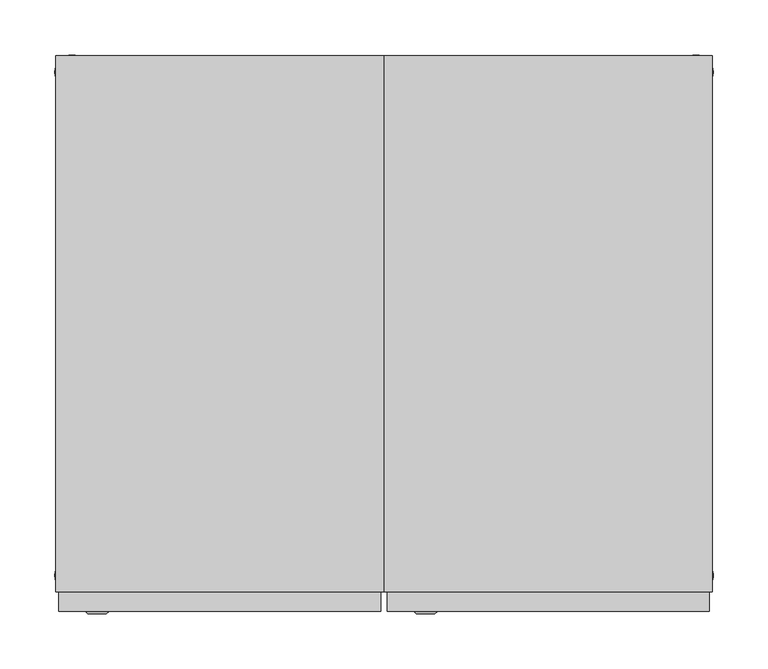
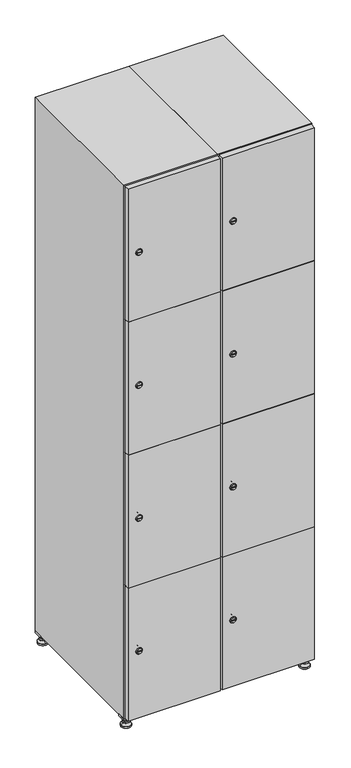
"""IFC4 building model written with IfcOpenShell, lengths in millimetres: furniture geometry."""

import ifcopenshell
import ifcopenshell.guid

model = None  # the IFC model being written
_history = None  # IfcOwnerHistory: only IFC2X3 demands one
_inside = {}  # id of a spatial element -> (the spatial element, [elements in it])
_under = {}  # id of a project, library or spatial element -> (it, [spatial elements below it])
_declared = {}  # id of a project -> (the project, [libraries it declares])
_typed = {}  # id of a type object -> (the type object, [elements of that type])
_made_of = {}  # id of a material, layer set ... -> (it, [elements and type objects made of it])


def new_model(schema):
    """Start an empty IFC model of exactly this schema.

    Asked for "IFC4X3", IfcOpenShell would pick the latest addendum, in which some entities
    have other attributes; the version numbers below select the first issue.
    IFC2X3 requires an IfcOwnerHistory on every rooted entity: one is made here for all.
    """
    global model, _history
    if schema == "IFC4X3":
        model = ifcopenshell.file(schema_version=(4, 3, 0, 0))
    else:
        model = ifcopenshell.file(schema=schema)
    _inside.clear()
    _under.clear()
    _declared.clear()
    _typed.clear()
    _made_of.clear()
    _history = None
    if model.schema == "IFC2X3":
        org = make("IfcOrganization", Name="unknown")
        user = make(
            "IfcPersonAndOrganization",
            ThePerson=make("IfcPerson", FamilyName="unknown"),
            TheOrganization=org,
        )
        app = make(
            "IfcApplication",
            ApplicationDeveloper=org,
            Version="unknown",
            ApplicationFullName="unknown",
            ApplicationIdentifier="unknown",
        )
        _history = make(
            "IfcOwnerHistory",
            OwningUser=user,
            OwningApplication=app,
            ChangeAction="ADDED",
            CreationDate=0,
        )
    return model


def make(cls, **values):
    """One entity of the class cls with the attributes given. An attribute that is None is left unset."""
    return model.create_entity(
        cls, **{name: value for name, value in values.items() if value is not None}
    )


def rooted(cls, **values):
    """An entity with a GlobalId (a new one), such as an element, a storey or a relation."""
    return make(cls, GlobalId=ifcopenshell.guid.new(), OwnerHistory=_history, **values)


def si_unit(unit_type, name, prefix=None):
    """IfcSIUnit, for example si_unit("LENGTHUNIT", "METRE", prefix="MILLI")."""
    return make("IfcSIUnit", UnitType=unit_type, Prefix=prefix, Name=name)


def assignment(units):
    """IfcUnitAssignment: the units of a project."""
    return None if units is None else make("IfcUnitAssignment", Units=units)


def point(xyz):
    """IfcCartesianPoint."""
    return None if xyz is None else make("IfcCartesianPoint", Coordinates=xyz)


def direction(xyz):
    """IfcDirection."""
    return None if xyz is None else make("IfcDirection", DirectionRatios=xyz)


def frame(location, z_axis=None, x_axis=None):
    """IfcAxis2Placement3D, a coordinate frame: its origin and axes. An axis left out is left unset."""
    return make(
        "IfcAxis2Placement3D",
        Location=point(location),
        Axis=direction(z_axis),
        RefDirection=direction(x_axis),
    )


def frame_2d(location, x_axis=None):
    """IfcAxis2Placement2D, a coordinate frame in the plane: its origin and x axis."""
    return make(
        "IfcAxis2Placement2D", Location=point(location), RefDirection=direction(x_axis)
    )


def origin():
    """The frame at (0, 0, 0) with its axes left unset."""
    return frame((0.0, 0.0, 0.0))


def origin_with_axes():
    """The frame at (0, 0, 0) with the z axis (0, 0, 1) and the x axis (1, 0, 0) written out."""
    return frame((0.0, 0.0, 0.0), z_axis=(0.0, 0.0, 1.0), x_axis=(1.0, 0.0, 0.0))


def place(relative_to, where):
    """IfcLocalPlacement: puts the frame where relative to a parent placement (None: the world)."""
    return make(
        "IfcLocalPlacement", PlacementRelTo=relative_to, RelativePlacement=where
    )


def context(
    kind, dimensions, precision=None, world=None, true_north=None, identifier=None
):
    """IfcGeometricRepresentationContext, for example the 3D "Model" context."""
    return make(
        "IfcGeometricRepresentationContext",
        ContextIdentifier=identifier,
        ContextType=kind,
        CoordinateSpaceDimension=dimensions,
        Precision=precision,
        WorldCoordinateSystem=world,
        TrueNorth=true_north,
    )


def project(units=None, contexts=None):
    """IfcProject with its units and contexts."""
    return rooted(
        "IfcProject",
        Name="project",
        RepresentationContexts=contexts,
        UnitsInContext=assignment(units),
    )


def spatial(cls, under=None, at=None, **own):
    """A site, building, storey or space (cls), placed at a placement, below another one or the project."""
    s = rooted(cls, ObjectPlacement=at, **own)
    if under is not None:
        _under.setdefault(under.id(), (under, []))[1].append(s)
    return s


def polyline(points):
    """IfcPolyline through the points."""
    return make("IfcPolyline", Points=[point(p) for p in points])


def circle_curve(where, radius):
    """IfcCircle in the frame where."""
    return make("IfcCircle", Position=where, Radius=radius)


def trimmed(basis, trim1, trim2, sense, master):
    """IfcTrimmedCurve: the piece of a basis curve between two trims."""
    return make(
        "IfcTrimmedCurve",
        BasisCurve=basis,
        Trim1=trim1,
        Trim2=trim2,
        SenseAgreement=sense,
        MasterRepresentation=master,
    )


def segment(curve, same_sense, transition):
    """IfcCompositeCurveSegment."""
    return make(
        "IfcCompositeCurveSegment",
        Transition=transition,
        SameSense=same_sense,
        ParentCurve=curve,
    )


def composite_curve(segments, self_intersect=None):
    """IfcCompositeCurve: segments joined end to end."""
    return make("IfcCompositeCurve", Segments=segments, SelfIntersect=self_intersect)


def outline(outer, holes=None, kind="AREA"):
    """IfcArbitraryClosedProfileDef: a profile drawn as a closed curve; with holes, ...WithVoids."""
    if holes is None:
        return make("IfcArbitraryClosedProfileDef", ProfileType=kind, OuterCurve=outer)
    return make(
        "IfcArbitraryProfileDefWithVoids",
        ProfileType=kind,
        OuterCurve=outer,
        InnerCurves=holes,
    )


def extrude(swept, where, along, depth):
    """IfcExtrudedAreaSolid: the profile swept, set in the frame where, extruded along a direction by depth."""
    return make(
        "IfcExtrudedAreaSolid",
        SweptArea=swept,
        Position=where,
        ExtrudedDirection=direction(along),
        Depth=depth,
    )


def faces_of(points, faces, orient=None, outer=None):
    """IfcFace entities. A face is a list of loops; a loop is a list of indices into points, from 0.

    orient and outer hold one flag for each loop. By default every Orientation is true, the
    first loop of a face is its IfcFaceOuterBound and the others are IfcFaceBound.
    """
    made = []
    for i, loops in enumerate(faces):
        bounds = []
        for j, loop in enumerate(loops):
            is_outer = j == 0 if outer is None else outer[i][j]
            bounds.append(
                make(
                    "IfcFaceOuterBound" if is_outer else "IfcFaceBound",
                    Bound=make("IfcPolyLoop", Polygon=[points[k] for k in loop]),
                    Orientation=True if orient is None else orient[i][j],
                )
            )
        made.append(make("IfcFace", Bounds=bounds))
    return made


def faceted_brep(points, faces, orient=None, outer=None, voids=None):
    """IfcFacetedBrep: a solid bounded by flat faces; with voids (closed shells), ...WithVoids."""
    shared = [point(p) for p in points]
    hull = make("IfcClosedShell", CfsFaces=faces_of(shared, faces, orient, outer))
    if voids is None:
        return make("IfcFacetedBrep", Outer=hull)
    return make(
        "IfcFacetedBrepWithVoids",
        Outer=hull,
        Voids=[
            make(cls, CfsFaces=faces_of(shared, fs, o, b)) for cls, fs, o, b in voids
        ],
    )


def shape(context_of_items, identifier, shape_type, items):
    """IfcShapeRepresentation: the items that make up one representation, for example the "Body"."""
    return make(
        "IfcShapeRepresentation",
        ContextOfItems=context_of_items,
        RepresentationIdentifier=identifier,
        RepresentationType=shape_type,
        Items=items,
    )


def source(mapping_origin, context_of_items, identifier, shape_type, items):
    """IfcRepresentationMap: a shape defined once, which mapped items show again and again."""
    return make(
        "IfcRepresentationMap",
        MappingOrigin=mapping_origin,
        MappedRepresentation=shape(context_of_items, identifier, shape_type, items),
    )


def transform(
    local_origin,
    x_axis=None,
    y_axis=None,
    z_axis=None,
    scale=None,
    scale2=None,
    scale3=None,
    uniform=True,
):
    """IfcCartesianTransformationOperator3D, or its non-uniform kind. x_axis, y_axis, z_axis: its Axis1, 2, 3."""
    if uniform:
        return make(
            "IfcCartesianTransformationOperator3D",
            Axis1=direction(x_axis),
            Axis2=direction(y_axis),
            LocalOrigin=point(local_origin),
            Scale=scale,
            Axis3=direction(z_axis),
        )
    return make(
        "IfcCartesianTransformationOperator3DnonUniform",
        Axis1=direction(x_axis),
        Axis2=direction(y_axis),
        LocalOrigin=point(local_origin),
        Scale=scale,
        Axis3=direction(z_axis),
        Scale2=scale2,
        Scale3=scale3,
    )


def mapped(mapping_source, mapping_target):
    """IfcMappedItem: shows the shape of a source again, moved by a transform."""
    return make(
        "IfcMappedItem", MappingSource=mapping_source, MappingTarget=mapping_target
    )


def made_of(thing, what):
    """Note that an element or type object is made of a material, layer set ...; save() writes the relation."""
    if what is not None:
        _made_of.setdefault(what.id(), (what, []))[1].append(thing)
    return thing


def element(
    cls,
    number,
    at=None,
    inside=None,
    cuts=None,
    type_object=None,
    material=None,
    context=None,
    identifier="Body",
    shape_type=None,
    held_by="IfcProductDefinitionShape",
    body=None,
    shapes=None,
    **own,
):
    """One element of the class cls, such as IfcWall. Its Tag is "e" and its number.

    at: its placement. inside: the storey or other place that contains it. cuts: it is an
    opening in that element (IfcRelVoidsElement). A single representation is given by context,
    identifier, shape_type and body (its items); several are given by shapes. held_by: the class
    of the entity that holds the representations. save() writes the other relations.
    """
    e = rooted(cls, Tag="e%d" % number, ObjectPlacement=at, **own)
    if body is not None:
        shapes = [shape(context, identifier, shape_type, body)]
    if shapes is not None:
        e.Representation = make(held_by, Representations=shapes)
    if inside is not None:
        _inside.setdefault(inside.id(), (inside, []))[1].append(e)
    if cuts is not None:
        rooted(
            "IfcRelVoidsElement", RelatingBuildingElement=cuts, RelatedOpeningElement=e
        )
    if type_object is not None:
        _typed.setdefault(type_object.id(), (type_object, []))[1].append(e)
    return made_of(e, material)


def aggregate(whole, parts):
    """IfcRelAggregates: a whole, such as a stair, and the parts it consists of."""
    return rooted("IfcRelAggregates", RelatingObject=whole, RelatedObjects=parts)


def save(model, path):
    """Write the relations noted so far, then the file.

    IfcRelAggregates (storeys below a building ...), IfcRelContainedInSpatialStructure (elements
    in a storey), IfcRelDefinesByType, IfcRelAssociatesMaterial and IfcRelDeclares: one each for
    every whole, place, type object, material and project.
    """
    for whole, parts in _under.values():
        aggregate(whole, parts)
    for where, things in _inside.values():
        rooted(
            "IfcRelContainedInSpatialStructure",
            RelatedElements=things,
            RelatingStructure=where,
        )
    for kind, things in _typed.values():
        rooted("IfcRelDefinesByType", RelatedObjects=things, RelatingType=kind)
    for what, things in _made_of.values():
        rooted("IfcRelAssociatesMaterial", RelatedObjects=things, RelatingMaterial=what)
    for by, libraries in _declared.values():
        rooted("IfcRelDeclares", RelatingContext=by, RelatedDefinitions=libraries)
    model.write(path)


def plane_surface(at):
    """IfcPlane: the flat surface through the origin of the frame at, square to its z axis."""
    return make("IfcPlane", Position=at)


def revolved_surface(curve, axis_point, axis_direction):
    """IfcSurfaceOfRevolution: the curve turned about the line through axis_point along axis_direction."""
    return make(
        "IfcSurfaceOfRevolution",
        SweptCurve=make("IfcArbitraryOpenProfileDef", ProfileType="CURVE", Curve=curve),
        AxisPosition=make("IfcAxis1Placement", Location=point(axis_point), Axis=direction(axis_direction)),
    )


def advanced_brep(points, edges, surfaces, faces):
    """IfcAdvancedBrep: a solid bounded by faces that lie on surfaces and meet in shared edges.

    An edge is (start, end): straight between two places in points (the first is 0);
    or (start, end, curve); or (start, end, curve, False) where it runs against its curve.
    A face is (place in surfaces, loops), or (place, loops, False) where it looks against
    its surface's normal. A loop lists edges by number (the first is 1), with a minus sign
    where the edge is run from its end to its start. The first loop is the outer one.
    """
    corners = [point(p) for p in points]
    vertices = [make("IfcVertexPoint", VertexGeometry=c) for c in corners]
    made = []
    for start, end, *more in edges:
        made.append(
            make(
                "IfcEdgeCurve",
                EdgeStart=vertices[start],
                EdgeEnd=vertices[end],
                EdgeGeometry=more[0] if more else make("IfcPolyline", Points=[corners[start], corners[end]]),
                SameSense=more[1] if len(more) > 1 else True,
            )
        )
    hull = []
    for where, loops, *sense in faces:
        bounds = []
        for j, loop in enumerate(loops):
            ring = [make("IfcOrientedEdge", EdgeElement=made[abs(k) - 1], Orientation=k > 0) for k in loop]
            bounds.append(
                make(
                    "IfcFaceOuterBound" if j == 0 else "IfcFaceBound",
                    Bound=make("IfcEdgeLoop", EdgeList=ring),
                    Orientation=True,
                )
            )
        hull.append(make("IfcAdvancedFace", Bounds=bounds, FaceSurface=surfaces[where], SameSense=sense[0] if sense else True))
    return make("IfcAdvancedBrep", Outer=make("IfcClosedShell", CfsFaces=hull))


def furniture_05b7265e(model_context):
    return source(origin(), model_context, "Body", "SolidModel", [
        extrude(outline(polyline([(400.0, 245.0), (400.0, 215.0), (370.0, 215.0), (370.0, 245.0), (400.0, 245.0)]), holes=[polyline([(398.0, 243.0), (372.0, 243.0), (372.0, 217.0), (398.0, 217.0), (398.0, 243.0)])]), frame((0.0, 0.0, 28.5), z_axis=(0.0, 0.0, 1.0), x_axis=(1.0, 0.0, 0.0)), (0.0, 0.0, 1.0), 6.5),
        extrude(outline(polyline([(370.0, -245.0), (370.0, -215.0), (400.0, -215.0), (400.0, -245.0), (370.0, -245.0)]), holes=[polyline([(372.0, -243.0), (398.0, -243.0), (398.0, -217.0), (372.0, -217.0), (372.0, -243.0)])]), frame((0.0, 0.0, 28.5), z_axis=(0.0, 0.0, 1.0), x_axis=(1.0, 0.0, 0.0)), (0.0, 0.0, 1.0), 6.5),
        extrude(outline(polyline([(-170.0, 245.0), (-170.0, 215.0), (-200.0, 215.0), (-200.0, 245.0), (-170.0, 245.0)]), holes=[polyline([(-172.0, 243.0), (-198.0, 243.0), (-198.0, 217.0), (-172.0, 217.0), (-172.0, 243.0)])]), frame((0.0, 0.0, 28.5), z_axis=(0.0, 0.0, 1.0), x_axis=(1.0, 0.0, 0.0)), (0.0, 0.0, 1.0), 6.5),
        extrude(outline(polyline([(-170.0, -215.0), (-170.0, -245.0), (-200.0, -245.0), (-200.0, -215.0), (-170.0, -215.0)]), holes=[polyline([(-198.0, -243.0), (-172.0, -243.0), (-172.0, -217.0), (-198.0, -217.0), (-198.0, -243.0)])]), frame((0.0, 0.0, 28.5), z_axis=(0.0, 0.0, 1.0), x_axis=(1.0, 0.0, 0.0)), (0.0, 0.0, 1.0), 6.5),
        extrude(outline(composite_curve([segment(trimmed(circle_curve(frame_2d((-185.0, 230.0)), 5.0), [point((-180.0, 230.0))], [point((-190.0, 230.0))], False, "CARTESIAN"), True, "CONTINUOUS"), segment(trimmed(circle_curve(frame_2d((-185.0, 230.0)), 5.0), [point((-190.0, 230.0))], [point((-180.0, 230.0))], False, "CARTESIAN"), True, "CONTINUOUS")], self_intersect=False)), frame((0.0, 0.0, 19.6), z_axis=(0.0, 0.0, 1.0), x_axis=(1.0, 0.0, 0.0)), (0.0, 0.0, 1.0), 15.4),
        extrude(outline(composite_curve([segment(trimmed(circle_curve(frame_2d((-185.0, -230.0)), 5.0), [point((-180.0, -230.0))], [point((-190.0, -230.0))], False, "CARTESIAN"), True, "CONTINUOUS"), segment(trimmed(circle_curve(frame_2d((-185.0, -230.0)), 5.0), [point((-190.0, -230.0))], [point((-180.0, -230.0))], False, "CARTESIAN"), True, "CONTINUOUS")], self_intersect=False)), frame((0.0, 0.0, 19.6), z_axis=(0.0, 0.0, 1.0), x_axis=(1.0, 0.0, 0.0)), (0.0, 0.0, 1.0), 15.4),
        extrude(outline(composite_curve([segment(trimmed(circle_curve(frame_2d((385.0, 230.0)), 5.0), [point((390.0, 230.0))], [point((380.0, 230.0))], False, "CARTESIAN"), True, "CONTINUOUS"), segment(trimmed(circle_curve(frame_2d((385.0, 230.0)), 5.0), [point((380.0, 230.0))], [point((390.0, 230.0))], False, "CARTESIAN"), True, "CONTINUOUS")], self_intersect=False)), frame((0.0, 0.0, 19.6), z_axis=(0.0, 0.0, 1.0), x_axis=(1.0, 0.0, 0.0)), (0.0, 0.0, 1.0), 15.4),
        extrude(outline(polyline([(373.4529946, 230.0), (379.2264973, 240.0), (390.7735027, 240.0), (396.5470054, 230.0), (390.7735027, 220.0), (379.2264973, 220.0), (373.4529946, 230.0)])), frame((0.0, 0.0, 13.6), z_axis=(0.0, 0.0, 1.0), x_axis=(1.0, 0.0, 0.0)), (0.0, 0.0, 1.0), 6.0),
        extrude(outline(composite_curve([segment(trimmed(circle_curve(frame_2d((385.0, -230.0)), 5.0), [point((390.0, -230.0))], [point((380.0, -230.0))], False, "CARTESIAN"), True, "CONTINUOUS"), segment(trimmed(circle_curve(frame_2d((385.0, -230.0)), 5.0), [point((380.0, -230.0))], [point((390.0, -230.0))], False, "CARTESIAN"), True, "CONTINUOUS")], self_intersect=False)), frame((0.0, 0.0, 19.6), z_axis=(0.0, 0.0, 1.0), x_axis=(1.0, 0.0, 0.0)), (0.0, 0.0, 1.0), 15.4),
        extrude(outline(polyline([(373.4529946, -230.0), (379.2264973, -220.0), (390.7735027, -220.0), (396.5470054, -230.0), (390.7735027, -240.0), (379.2264973, -240.0), (373.4529946, -230.0)])), frame((0.0, 0.0, 13.6), z_axis=(0.0, 0.0, 1.0), x_axis=(1.0, 0.0, 0.0)), (0.0, 0.0, 1.0), 6.0),
        extrude(outline(composite_curve([segment(trimmed(circle_curve(frame_2d((385.0, 230.0)), 5.0), [point((390.0, 230.0))], [point((380.0, 230.0))], False, "CARTESIAN"), True, "CONTINUOUS"), segment(trimmed(circle_curve(frame_2d((385.0, 230.0)), 5.0), [point((380.0, 230.0))], [point((390.0, 230.0))], False, "CARTESIAN"), True, "CONTINUOUS")], self_intersect=False)), frame((0.0, 0.0, 12.1), z_axis=(0.0, 0.0, 1.0), x_axis=(1.0, 0.0, 0.0)), (0.0, 0.0, 1.0), 1.5),
        extrude(outline(composite_curve([segment(trimmed(circle_curve(frame_2d((385.0, -230.0)), 5.0), [point((390.0, -230.0))], [point((380.0, -230.0))], False, "CARTESIAN"), True, "CONTINUOUS"), segment(trimmed(circle_curve(frame_2d((385.0, -230.0)), 5.0), [point((380.0, -230.0))], [point((390.0, -230.0))], False, "CARTESIAN"), True, "CONTINUOUS")], self_intersect=False)), frame((0.0, 0.0, 12.1), z_axis=(0.0, 0.0, 1.0), x_axis=(1.0, 0.0, 0.0)), (0.0, 0.0, 1.0), 1.5),
        extrude(outline(polyline([(-196.5470054, 230.0), (-190.7735027, 240.0), (-179.2264973, 240.0), (-173.4529946, 230.0), (-179.2264973, 220.0), (-190.7735027, 220.0), (-196.5470054, 230.0)])), frame((0.0, 0.0, 13.6), z_axis=(0.0, 0.0, 1.0), x_axis=(1.0, 0.0, 0.0)), (0.0, 0.0, 1.0), 6.0),
        extrude(outline(polyline([(-196.5470054, -230.0), (-190.7735027, -220.0), (-179.2264973, -220.0), (-173.4529946, -230.0), (-179.2264973, -240.0), (-190.7735027, -240.0), (-196.5470054, -230.0)])), frame((0.0, 0.0, 13.6), z_axis=(0.0, 0.0, 1.0), x_axis=(1.0, 0.0, 0.0)), (0.0, 0.0, 1.0), 6.0),
        extrude(outline(composite_curve([segment(trimmed(circle_curve(frame_2d((-185.0, 230.0)), 5.0), [point((-185.0, 235.0))], [point((-185.0, 225.0))], False, "CARTESIAN"), True, "CONTINUOUS"), segment(trimmed(circle_curve(frame_2d((-185.0, 230.0)), 5.0), [point((-185.0, 225.0))], [point((-185.0, 235.0))], False, "CARTESIAN"), True, "CONTINUOUS")], self_intersect=False)), frame((0.0, 0.0, 12.1), z_axis=(0.0, 0.0, 1.0), x_axis=(1.0, 0.0, 0.0)), (0.0, 0.0, 1.0), 1.5),
        extrude(outline(composite_curve([segment(trimmed(circle_curve(frame_2d((-185.0, -230.0)), 5.0), [point((-180.0, -230.0))], [point((-190.0, -230.0))], False, "CARTESIAN"), True, "CONTINUOUS"), segment(trimmed(circle_curve(frame_2d((-185.0, -230.0)), 5.0), [point((-190.0, -230.0))], [point((-180.0, -230.0))], False, "CARTESIAN"), True, "CONTINUOUS")], self_intersect=False)), frame((0.0, 0.0, 12.1), z_axis=(0.0, 0.0, 1.0), x_axis=(1.0, 0.0, 0.0)), (0.0, 0.0, 1.0), 1.5),
        extrude(outline(composite_curve([segment(trimmed(circle_curve(frame_2d((385.0, 230.0)), 15.75), [point((400.75, 230.0))], [point((369.25, 230.0))], False, "CARTESIAN"), True, "CONTINUOUS"), segment(trimmed(circle_curve(frame_2d((385.0, 230.0)), 15.75), [point((369.25, 230.0))], [point((400.75, 230.0))], False, "CARTESIAN"), True, "CONTINUOUS")], self_intersect=False)), origin_with_axes(), (0.0, 0.0, 1.0), 5.1),
        extrude(outline(composite_curve([segment(trimmed(circle_curve(frame_2d((385.0, -230.0)), 15.75), [point((385.0, -214.25))], [point((385.0, -245.75))], False, "CARTESIAN"), True, "CONTINUOUS"), segment(trimmed(circle_curve(frame_2d((385.0, -230.0)), 15.75), [point((385.0, -245.75))], [point((385.0, -214.25))], False, "CARTESIAN"), True, "CONTINUOUS")], self_intersect=False)), origin_with_axes(), (0.0, 0.0, 1.0), 5.1),
        extrude(outline(composite_curve([segment(trimmed(circle_curve(frame_2d((-185.0, -230.0)), 15.75), [point((-169.25, -230.0))], [point((-200.75, -230.0))], False, "CARTESIAN"), True, "CONTINUOUS"), segment(trimmed(circle_curve(frame_2d((-185.0, -230.0)), 15.75), [point((-200.75, -230.0))], [point((-169.25, -230.0))], False, "CARTESIAN"), True, "CONTINUOUS")], self_intersect=False)), origin_with_axes(), (0.0, 0.0, 1.0), 5.1),
        extrude(outline(composite_curve([segment(trimmed(circle_curve(frame_2d((-185.0, 230.0)), 15.75), [point((-169.25, 230.0))], [point((-200.75, 230.0))], False, "CARTESIAN"), True, "CONTINUOUS"), segment(trimmed(circle_curve(frame_2d((-185.0, 230.0)), 15.75), [point((-200.75, 230.0))], [point((-169.25, 230.0))], False, "CARTESIAN"), True, "CONTINUOUS")], self_intersect=False)), origin_with_axes(), (0.0, 0.0, 1.0), 5.1),
        advanced_brep(
        [(-185.0, 239.5, 12.1), (-185.0, 220.5, 12.1), (-185.0, 214.25, 5.1), (-185.0, 245.75, 5.1)],
        [
            (0, 1, circle_curve(frame((-185.0, 230.0, 12.1), z_axis=(0.0, 0.0, -1.0), x_axis=(0.0, 1.0, 0.0)), 9.5)),
            (1, 2),
            (2, 3, circle_curve(frame((-185.0, 230.0, 5.1), z_axis=(0.0, 0.0, 1.0), x_axis=(0.0, 1.0, 0.0)), 15.75)),
            (3, 0),
            (1, 0, circle_curve(frame((-185.0, 230.0, 12.1), z_axis=(0.0, 0.0, -1.0), x_axis=(0.0, -1.0, 0.0)), 9.5)),
            (3, 2, circle_curve(frame((-185.0, 230.0, 5.1), z_axis=(0.0, 0.0, 1.0), x_axis=(0.0, -1.0, 0.0)), 15.75)),
        ],
        [
            revolved_surface(polyline([(-185.0, 220.5, 12.099999999999998), (-185.0, 214.25, 5.099999999999998)]), (-185.0, 230.0, 22.74), (0.0, 0.0, -1.0)),
            revolved_surface(polyline([(-185.0, 239.5, 12.099999999999998), (-185.0, 245.75, 5.099999999999998)]), (-185.0, 230.0, 22.74), (0.0, 0.0, -1.0)),
            plane_surface(frame((-185.0, 230.0, 5.1), z_axis=(0.0, 0.0, -1.0), x_axis=(1.0, 0.0, 0.0))),
            plane_surface(frame((-185.0, 230.0, 12.1), z_axis=(0.0, 0.0, 1.0), x_axis=(1.0, 0.0, 0.0))),
        ],
        [
            (0, [[1, 2, 3, 4]]),
            (1, [[5, -4, 6, -2]]),
            (2, [[-3, -6]]),
            (3, [[-5, -1]]),
        ],
    ),
        advanced_brep(
        [(385.0, 239.5, 12.1), (385.0, 220.5, 12.1), (385.0, 214.25, 5.1), (385.0, 245.75, 5.1)],
        [
            (0, 1, circle_curve(frame((385.0, 230.0, 12.1), z_axis=(0.0, 0.0, -1.0), x_axis=(0.0, 1.0, 0.0)), 9.5)),
            (1, 2),
            (2, 3, circle_curve(frame((385.0, 230.0, 5.1), z_axis=(0.0, 0.0, 1.0), x_axis=(0.0, 1.0, 0.0)), 15.75)),
            (3, 0),
            (1, 0, circle_curve(frame((385.0, 230.0, 12.1), z_axis=(0.0, 0.0, -1.0), x_axis=(0.0, -1.0, 0.0)), 9.5)),
            (3, 2, circle_curve(frame((385.0, 230.0, 5.1), z_axis=(0.0, 0.0, 1.0), x_axis=(0.0, -1.0, 0.0)), 15.75)),
        ],
        [
            revolved_surface(polyline([(385.0, 220.5, 12.099999999999998), (385.0, 214.25, 5.099999999999998)]), (385.0, 230.0, 22.74), (0.0, 0.0, -1.0)),
            revolved_surface(polyline([(385.0, 239.5, 12.099999999999998), (385.0, 245.75, 5.099999999999998)]), (385.0, 230.0, 22.74), (0.0, 0.0, -1.0)),
            plane_surface(frame((385.0, 230.0, 5.1), z_axis=(0.0, 0.0, -1.0), x_axis=(1.0, 0.0, 0.0))),
            plane_surface(frame((385.0, 230.0, 12.1), z_axis=(0.0, 0.0, 1.0), x_axis=(1.0, 0.0, 0.0))),
        ],
        [
            (0, [[1, 2, 3, 4]]),
            (1, [[5, -4, 6, -2]]),
            (2, [[-3, -6]]),
            (3, [[-5, -1]]),
        ],
    ),
        advanced_brep(
        [(400.75, -230.0, 5.1), (369.25, -230.0, 5.1), (375.5, -230.0, 12.1), (394.5, -230.0, 12.1)],
        [
            (0, 1, circle_curve(frame((385.0, -230.0, 5.1), z_axis=(0.0, 0.0, 1.0), x_axis=(1.0, 0.0, 0.0)), 15.75)),
            (1, 2),
            (2, 3, circle_curve(frame((385.0, -230.0, 12.1), z_axis=(0.0, 0.0, -1.0), x_axis=(1.0, 0.0, 0.0)), 9.5)),
            (3, 0),
            (1, 0, circle_curve(frame((385.0, -230.0, 5.1), z_axis=(0.0, 0.0, 1.0), x_axis=(-1.0, 0.0, 0.0)), 15.75)),
            (3, 2, circle_curve(frame((385.0, -230.0, 12.1), z_axis=(0.0, 0.0, -1.0), x_axis=(-1.0, 0.0, 0.0)), 9.5)),
        ],
        [
            revolved_surface(polyline([(394.5, -230.0, 12.099999999999998), (400.75, -230.0, 5.099999999999998)]), (385.0, -230.0, 22.74), (0.0, 0.0, -1.0)),
            revolved_surface(polyline([(375.5, -230.0, 12.099999999999998), (369.25, -230.0, 5.099999999999998)]), (385.0, -230.0, 22.74), (0.0, 0.0, -1.0)),
            plane_surface(frame((385.0, -230.0, 12.1), z_axis=(0.0, 0.0, 1.0), x_axis=(0.0, 1.0, 0.0))),
            plane_surface(frame((385.0, -230.0, 5.1), z_axis=(0.0, 0.0, -1.0), x_axis=(0.0, 1.0, 0.0))),
        ],
        [
            (0, [[1, 2, 3, 4]]),
            (1, [[5, -4, 6, -2]]),
            (2, [[-3, -6]]),
            (3, [[-5, -1]]),
        ],
    ),
        advanced_brep(
        [(-169.25, -230.0, 5.1), (-200.75, -230.0, 5.1), (-194.5, -230.0, 12.1), (-175.5, -230.0, 12.1)],
        [
            (0, 1, circle_curve(frame((-185.0, -230.0, 5.1), z_axis=(0.0, 0.0, 1.0), x_axis=(1.0, 0.0, 0.0)), 15.75)),
            (1, 2),
            (2, 3, circle_curve(frame((-185.0, -230.0, 12.1), z_axis=(0.0, 0.0, -1.0), x_axis=(1.0, 0.0, 0.0)), 9.5)),
            (3, 0),
            (1, 0, circle_curve(frame((-185.0, -230.0, 5.1), z_axis=(0.0, 0.0, 1.0), x_axis=(-1.0, 0.0, 0.0)), 15.75)),
            (3, 2, circle_curve(frame((-185.0, -230.0, 12.1), z_axis=(0.0, 0.0, -1.0), x_axis=(-1.0, 0.0, 0.0)), 9.5)),
        ],
        [
            revolved_surface(polyline([(-175.5, -230.0, 12.099999999999998), (-169.25, -230.0, 5.099999999999998)]), (-185.0, -230.0, 22.74), (0.0, 0.0, -1.0)),
            revolved_surface(polyline([(-194.5, -230.0, 12.099999999999998), (-200.75, -230.0, 5.099999999999998)]), (-185.0, -230.0, 22.74), (0.0, 0.0, -1.0)),
            plane_surface(frame((-185.0, -230.0, 12.1), z_axis=(0.0, 0.0, 1.0), x_axis=(0.0, 1.0, 0.0))),
            plane_surface(frame((-185.0, -230.0, 5.1), z_axis=(0.0, 0.0, -1.0), x_axis=(0.0, 1.0, 0.0))),
        ],
        [
            (0, [[1, 2, 3, 4]]),
            (1, [[5, -4, 6, -2]]),
            (2, [[-3, -6]]),
            (3, [[-5, -1]]),
        ],
    ),
        extrude(outline(composite_curve([segment(trimmed(circle_curve(frame_2d((262.25, 111.2010534)), 7.0), [point((269.25, 111.2010534))], [point((255.25, 111.2010534))], False, "CARTESIAN"), True, "CONTINUOUS"), segment(polyline([(255.25, 111.2010534), (255.25, 139.2010534)]), True, "CONTINUOUS"), segment(trimmed(circle_curve(frame_2d((262.25, 139.2010534)), 7.0), [point((255.25, 139.2010534))], [point((269.25, 139.2010534))], False, "CARTESIAN"), True, "CONTINUOUS"), segment(polyline([(269.25, 139.2010534), (269.25, 111.2010534)]), True, "CONTINUOUS")], self_intersect=False)), frame((0.0, -245.0, 0.0), z_axis=(0.0, 1.0, 0.0), x_axis=(0.0, 0.0, 1.0)), (0.0, 0.0, 1.0), 2.0),
        advanced_brep(
        [(146.5, -265.2, 262.25), (129.5, -265.2, 262.25), (133.0, -265.2, 261.0), (133.0, -265.2, 263.5), (143.0, -265.2, 263.5), (143.0, -265.2, 261.0), (148.5, -263.0, 262.25), (127.5, -263.0, 262.25), (133.0, -263.0, 263.5), (133.0, -263.0, 261.0), (143.0, -263.0, 261.0), (143.0, -263.0, 263.5)],
        [
            (0, 1, circle_curve(frame((138.0, -265.2, 262.25), z_axis=(0.0, -1.0, 0.0), x_axis=(1.0, 0.0, 0.0)), 8.5)),
            (1, 0, circle_curve(frame((138.0, -265.2, 262.25), z_axis=(0.0, -1.0, 0.0), x_axis=(-1.0, 0.0, 0.0)), 8.5)),
            (2, 3),
            (3, 4),
            (4, 5),
            (5, 2),
            (6, 7, circle_curve(frame((138.0, -263.0, 262.25), z_axis=(0.0, 1.0, 0.0), x_axis=(-1.0, 0.0, 0.0)), 10.5)),
            (7, 6, circle_curve(frame((138.0, -263.0, 262.25), z_axis=(0.0, 1.0, 0.0), x_axis=(1.0, 0.0, 0.0)), 10.5)),
            (8, 9),
            (9, 10),
            (10, 11),
            (11, 8),
            (0, 6),
            (7, 1),
            (8, 3),
            (2, 9),
            (11, 4),
            (10, 5),
        ],
        [
            plane_surface(frame((138.0, -265.2, 262.25), z_axis=(0.0, -1.0, 0.0), x_axis=(0.0, 0.0, 1.0))),
            plane_surface(frame((138.0, -263.0, 262.25), z_axis=(0.0, 1.0, 0.0), x_axis=(0.0, 0.0, 1.0))),
            revolved_surface(polyline([(146.5, -265.2, 262.25), (148.5, -263.0, 262.25)]), (138.0, -274.55, 262.25), (0.0, 1.0, 0.0)),
            revolved_surface(polyline([(129.5, -265.2, 262.25), (127.5, -263.0, 262.25)]), (138.0, -274.55, 262.25), (0.0, 1.0, 0.0)),
            plane_surface(frame((133.0, -263.0, 261.0), z_axis=(1.0, 0.0, 0.0), x_axis=(0.0, -1.0, 0.0))),
            plane_surface(frame((133.0, -263.0, 263.5), z_axis=(0.0, 0.0, -1.0), x_axis=(0.0, -1.0, 0.0))),
            plane_surface(frame((143.0, -263.0, 263.5), z_axis=(-1.0, 0.0, 0.0), x_axis=(0.0, -1.0, 0.0))),
            plane_surface(frame((143.0, -263.0, 261.0), z_axis=(0.0, 0.0, 1.0), x_axis=(0.0, -1.0, 0.0))),
        ],
        [
            (0, [[1, 2], [3, 4, 5, 6]]),
            (1, [[7, 8], [9, 10, 11, 12]]),
            (2, [[-1, 13, -8, 14]]),
            (3, [[-2, -14, -7, -13]]),
            (4, [[15, -3, 16, -9]]),
            (5, [[-15, -12, 17, -4]]),
            (6, [[-17, -11, 18, -5]]),
            (7, [[-16, -6, -18, -10]]),
        ],
    ),
        extrude(outline(composite_curve([segment(trimmed(circle_curve(frame_2d((710.75, 111.2010534)), 7.0), [point((717.75, 111.2010534))], [point((703.75, 111.2010534))], False, "CARTESIAN"), True, "CONTINUOUS"), segment(polyline([(703.75, 111.2010534), (703.75, 139.2010534)]), True, "CONTINUOUS"), segment(trimmed(circle_curve(frame_2d((710.75, 139.2010534)), 7.0), [point((703.75, 139.2010534))], [point((717.75, 139.2010534))], False, "CARTESIAN"), True, "CONTINUOUS"), segment(polyline([(717.75, 139.2010534), (717.75, 111.2010534)]), True, "CONTINUOUS")], self_intersect=False)), frame((0.0, -245.0, 0.0), z_axis=(0.0, 1.0, 0.0), x_axis=(0.0, 0.0, 1.0)), (0.0, 0.0, 1.0), 2.0),
        advanced_brep(
        [(146.5, -265.2, 710.75), (129.5, -265.2, 710.75), (133.0, -265.2, 709.5), (133.0, -265.2, 712.0), (143.0, -265.2, 712.0), (143.0, -265.2, 709.5), (148.5, -263.0, 710.75), (127.5, -263.0, 710.75), (133.0, -263.0, 712.0), (133.0, -263.0, 709.5), (143.0, -263.0, 709.5), (143.0, -263.0, 712.0)],
        [
            (0, 1, circle_curve(frame((138.0, -265.2, 710.75), z_axis=(0.0, -1.0, 0.0), x_axis=(1.0, 0.0, 0.0)), 8.5)),
            (1, 0, circle_curve(frame((138.0, -265.2, 710.75), z_axis=(0.0, -1.0, 0.0), x_axis=(-1.0, 0.0, 0.0)), 8.5)),
            (2, 3),
            (3, 4),
            (4, 5),
            (5, 2),
            (6, 7, circle_curve(frame((138.0, -263.0, 710.75), z_axis=(0.0, 1.0, 0.0), x_axis=(-1.0, 0.0, 0.0)), 10.5)),
            (7, 6, circle_curve(frame((138.0, -263.0, 710.75), z_axis=(0.0, 1.0, 0.0), x_axis=(1.0, 0.0, 0.0)), 10.5)),
            (8, 9),
            (9, 10),
            (10, 11),
            (11, 8),
            (0, 6),
            (7, 1),
            (8, 3),
            (2, 9),
            (11, 4),
            (10, 5),
        ],
        [
            plane_surface(frame((138.0, -265.2, 710.75), z_axis=(0.0, -1.0, 0.0), x_axis=(0.0, 0.0, 1.0))),
            plane_surface(frame((138.0, -263.0, 710.75), z_axis=(0.0, 1.0, 0.0), x_axis=(0.0, 0.0, 1.0))),
            revolved_surface(polyline([(146.5, -265.2, 710.75), (148.5, -263.0, 710.75)]), (138.0, -274.55, 710.75), (0.0, 1.0, 0.0)),
            revolved_surface(polyline([(129.5, -265.2, 710.75), (127.5, -263.0, 710.75)]), (138.0, -274.55, 710.75), (0.0, 1.0, 0.0)),
            plane_surface(frame((133.0, -263.0, 709.5), z_axis=(1.0, 0.0, 0.0), x_axis=(0.0, -1.0, 0.0))),
            plane_surface(frame((133.0, -263.0, 712.0), z_axis=(0.0, 0.0, -1.0), x_axis=(0.0, -1.0, 0.0))),
            plane_surface(frame((143.0, -263.0, 712.0), z_axis=(-1.0, 0.0, 0.0), x_axis=(0.0, -1.0, 0.0))),
            plane_surface(frame((143.0, -263.0, 709.5), z_axis=(0.0, 0.0, 1.0), x_axis=(0.0, -1.0, 0.0))),
        ],
        [
            (0, [[1, 2], [3, 4, 5, 6]]),
            (1, [[7, 8], [9, 10, 11, 12]]),
            (2, [[-1, 13, -8, 14]]),
            (3, [[-2, -14, -7, -13]]),
            (4, [[15, -3, 16, -9]]),
            (5, [[-15, -12, 17, -4]]),
            (6, [[-17, -11, 18, -5]]),
            (7, [[-16, -6, -18, -10]]),
        ],
    ),
        extrude(outline(composite_curve([segment(trimmed(circle_curve(frame_2d((1159.25, 111.2010534)), 7.0), [point((1166.25, 111.2010534))], [point((1152.25, 111.2010534))], False, "CARTESIAN"), True, "CONTINUOUS"), segment(polyline([(1152.25, 111.2010534), (1152.25, 139.2010534)]), True, "CONTINUOUS"), segment(trimmed(circle_curve(frame_2d((1159.25, 139.2010534)), 7.0), [point((1152.25, 139.2010534))], [point((1166.25, 139.2010534))], False, "CARTESIAN"), True, "CONTINUOUS"), segment(polyline([(1166.25, 139.2010534), (1166.25, 111.2010534)]), True, "CONTINUOUS")], self_intersect=False)), frame((0.0, -245.0, 0.0), z_axis=(0.0, 1.0, 0.0), x_axis=(0.0, 0.0, 1.0)), (0.0, 0.0, 1.0), 2.0),
        advanced_brep(
        [(146.5, -265.2, 1159.25), (129.5, -265.2, 1159.25), (133.0, -265.2, 1158.0), (133.0, -265.2, 1160.5), (143.0, -265.2, 1160.5), (143.0, -265.2, 1158.0), (148.5, -263.0, 1159.25), (127.5, -263.0, 1159.25), (133.0, -263.0, 1160.5), (133.0, -263.0, 1158.0), (143.0, -263.0, 1158.0), (143.0, -263.0, 1160.5)],
        [
            (0, 1, circle_curve(frame((138.0, -265.2, 1159.25), z_axis=(0.0, -1.0, 0.0), x_axis=(1.0, 0.0, 0.0)), 8.5)),
            (1, 0, circle_curve(frame((138.0, -265.2, 1159.25), z_axis=(0.0, -1.0, 0.0), x_axis=(-1.0, 0.0, 0.0)), 8.5)),
            (2, 3),
            (3, 4),
            (4, 5),
            (5, 2),
            (6, 7, circle_curve(frame((138.0, -263.0, 1159.25), z_axis=(0.0, 1.0, 0.0), x_axis=(-1.0, 0.0, 0.0)), 10.5)),
            (7, 6, circle_curve(frame((138.0, -263.0, 1159.25), z_axis=(0.0, 1.0, 0.0), x_axis=(1.0, 0.0, 0.0)), 10.5)),
            (8, 9),
            (9, 10),
            (10, 11),
            (11, 8),
            (0, 6),
            (7, 1),
            (8, 3),
            (2, 9),
            (11, 4),
            (10, 5),
        ],
        [
            plane_surface(frame((138.0, -265.2, 1159.25), z_axis=(0.0, -1.0, 0.0), x_axis=(0.0, 0.0, 1.0))),
            plane_surface(frame((138.0, -263.0, 1159.25), z_axis=(0.0, 1.0, 0.0), x_axis=(0.0, 0.0, 1.0))),
            revolved_surface(polyline([(146.5, -265.2, 1159.25), (148.5, -263.0, 1159.25)]), (138.0, -274.55, 1159.25), (0.0, 1.0, 0.0)),
            revolved_surface(polyline([(129.5, -265.2, 1159.25), (127.5, -263.0, 1159.25)]), (138.0, -274.55, 1159.25), (0.0, 1.0, 0.0)),
            plane_surface(frame((133.0, -263.0, 1158.0), z_axis=(1.0, 0.0, 0.0), x_axis=(0.0, -1.0, 0.0))),
            plane_surface(frame((133.0, -263.0, 1160.5), z_axis=(0.0, 0.0, -1.0), x_axis=(0.0, -1.0, 0.0))),
            plane_surface(frame((143.0, -263.0, 1160.5), z_axis=(-1.0, 0.0, 0.0), x_axis=(0.0, -1.0, 0.0))),
            plane_surface(frame((143.0, -263.0, 1158.0), z_axis=(0.0, 0.0, 1.0), x_axis=(0.0, -1.0, 0.0))),
        ],
        [
            (0, [[1, 2], [3, 4, 5, 6]]),
            (1, [[7, 8], [9, 10, 11, 12]]),
            (2, [[-1, 13, -8, 14]]),
            (3, [[-2, -14, -7, -13]]),
            (4, [[15, -3, 16, -9]]),
            (5, [[-15, -12, 17, -4]]),
            (6, [[-17, -11, 18, -5]]),
            (7, [[-16, -6, -18, -10]]),
        ],
    ),
        extrude(outline(composite_curve([segment(trimmed(circle_curve(frame_2d((1607.75, 111.2010534)), 7.0), [point((1614.75, 111.2010534))], [point((1600.75, 111.2010534))], False, "CARTESIAN"), True, "CONTINUOUS"), segment(polyline([(1600.75, 111.2010534), (1600.75, 139.2010534)]), True, "CONTINUOUS"), segment(trimmed(circle_curve(frame_2d((1607.75, 139.2010534)), 7.0), [point((1600.75, 139.2010534))], [point((1614.75, 139.2010534))], False, "CARTESIAN"), True, "CONTINUOUS"), segment(polyline([(1614.75, 139.2010534), (1614.75, 111.2010534)]), True, "CONTINUOUS")], self_intersect=False)), frame((0.0, -245.0, 0.0), z_axis=(0.0, 1.0, 0.0), x_axis=(0.0, 0.0, 1.0)), (0.0, 0.0, 1.0), 2.0),
        advanced_brep(
        [(146.5, -265.2, 1607.75), (129.5, -265.2, 1607.75), (133.0, -265.2, 1606.5), (133.0, -265.2, 1609.0), (143.0, -265.2, 1609.0), (143.0, -265.2, 1606.5), (148.5, -263.0, 1607.75), (127.5, -263.0, 1607.75), (133.0, -263.0, 1609.0), (133.0, -263.0, 1606.5), (143.0, -263.0, 1606.5), (143.0, -263.0, 1609.0)],
        [
            (0, 1, circle_curve(frame((138.0, -265.2, 1607.75), z_axis=(0.0, -1.0, 0.0), x_axis=(1.0, 0.0, 0.0)), 8.5)),
            (1, 0, circle_curve(frame((138.0, -265.2, 1607.75), z_axis=(0.0, -1.0, 0.0), x_axis=(-1.0, 0.0, 0.0)), 8.5)),
            (2, 3),
            (3, 4),
            (4, 5),
            (5, 2),
            (6, 7, circle_curve(frame((138.0, -263.0, 1607.75), z_axis=(0.0, 1.0, 0.0), x_axis=(-1.0, 0.0, 0.0)), 10.5)),
            (7, 6, circle_curve(frame((138.0, -263.0, 1607.75), z_axis=(0.0, 1.0, 0.0), x_axis=(1.0, 0.0, 0.0)), 10.5)),
            (8, 9),
            (9, 10),
            (10, 11),
            (11, 8),
            (0, 6),
            (7, 1),
            (8, 3),
            (2, 9),
            (11, 4),
            (10, 5),
        ],
        [
            plane_surface(frame((138.0, -265.2, 1607.75), z_axis=(0.0, -1.0, 0.0), x_axis=(0.0, 0.0, 1.0))),
            plane_surface(frame((138.0, -263.0, 1607.75), z_axis=(0.0, 1.0, 0.0), x_axis=(0.0, 0.0, 1.0))),
            revolved_surface(polyline([(146.5, -265.2, 1607.75), (148.5, -263.0, 1607.75)]), (138.0, -274.55, 1607.75), (0.0, 1.0, 0.0)),
            revolved_surface(polyline([(129.5, -265.2, 1607.75), (127.5, -263.0, 1607.75)]), (138.0, -274.55, 1607.75), (0.0, 1.0, 0.0)),
            plane_surface(frame((133.0, -263.0, 1606.5), z_axis=(1.0, 0.0, 0.0), x_axis=(0.0, -1.0, 0.0))),
            plane_surface(frame((133.0, -263.0, 1609.0), z_axis=(0.0, 0.0, -1.0), x_axis=(0.0, -1.0, 0.0))),
            plane_surface(frame((143.0, -263.0, 1609.0), z_axis=(-1.0, 0.0, 0.0), x_axis=(0.0, -1.0, 0.0))),
            plane_surface(frame((143.0, -263.0, 1606.5), z_axis=(0.0, 0.0, 1.0), x_axis=(0.0, -1.0, 0.0))),
        ],
        [
            (0, [[1, 2], [3, 4, 5, 6]]),
            (1, [[7, 8], [9, 10, 11, 12]]),
            (2, [[-1, 13, -8, 14]]),
            (3, [[-2, -14, -7, -13]]),
            (4, [[15, -3, 16, -9]]),
            (5, [[-15, -12, 17, -4]]),
            (6, [[-17, -11, 18, -5]]),
            (7, [[-16, -6, -18, -10]]),
        ],
    ),
        extrude(outline(polyline([(397.0, -245.0), (397.0, -263.0), (103.0, -263.0), (103.0, -245.0), (397.0, -245.0)])), frame((0.0, 0.0, 486.0), z_axis=(0.0, 0.0, 1.0), x_axis=(1.0, 0.0, 0.0)), (0.0, 0.0, 1.0), 448.5),
        extrude(outline(polyline([(397.0, -245.0), (397.0, -263.0), (103.0, -263.0), (103.0, -245.0), (397.0, -245.0)])), frame((0.0, 0.0, 935.5), z_axis=(0.0, 0.0, 1.0), x_axis=(1.0, 0.0, 0.0)), (0.0, 0.0, 1.0), 447.5),
        extrude(outline(polyline([(103.0, -263.0), (103.0, -245.0), (397.0, -245.0), (397.0, -263.0), (103.0, -263.0)])), frame((0.0, 0.0, 1384.0), z_axis=(0.0, 0.0, 1.0), x_axis=(1.0, 0.0, 0.0)), (0.0, 0.0, 1.0), 448.0),
        extrude(outline(polyline([(397.0, -245.0), (397.0, -263.0), (103.0, -263.0), (103.0, -245.0), (397.0, -245.0)])), frame((0.0, 0.0, 38.0), z_axis=(0.0, 0.0, 1.0), x_axis=(1.0, 0.0, 0.0)), (0.0, 0.0, 1.0), 449.0),
        extrude(outline(polyline([(379.6, 242.0), (379.6, -227.0), (120.4, -227.0), (120.4, 242.0), (379.6, 242.0)])), frame((0.0, 0.0, 1359.7), z_axis=(0.0, 0.0, 1.0), x_axis=(1.0, 0.0, 0.0)), (0.0, 0.0, 1.0), 20.4),
        extrude(outline(polyline([(379.6, 242.0), (379.6, -227.0), (120.4, -227.0), (120.4, 242.0), (379.6, 242.0)])), frame((0.0, 0.0, 924.8), z_axis=(0.0, 0.0, 1.0), x_axis=(1.0, 0.0, 0.0)), (0.0, 0.0, 1.0), 20.4),
        extrude(outline(polyline([(379.6, 242.0), (379.6, -227.0), (120.4, -227.0), (120.4, 242.0), (379.6, 242.0)])), frame((0.0, 0.0, 489.9), z_axis=(0.0, 0.0, 1.0), x_axis=(1.0, 0.0, 0.0)), (0.0, 0.0, 1.0), 20.4),
        faceted_brep([(400.0, -245.0, 35.0), (400.0, -245.0, 1835.0), (100.0, -245.0, 1835.0), (100.0, -245.0, 35.0), (379.6, -245.0, 1804.8), (379.6, -245.0, 65.2), (120.4, -245.0, 65.2), (120.4, -245.0, 1804.8), (400.0, 245.0, 35.0), (100.0, 245.0, 35.0), (400.0, 245.0, 1835.0), (100.0, 245.0, 1835.0), (379.6, 242.0, 1804.8), (379.6, 242.0, 65.2), (100.0, 245.0, 1804.8), (120.4, 242.0, 1804.8), (120.4, 242.0, 65.2)], [[[0, 1, 2, 3], [4, 5, 6, 7]], [[8, 0, 3, 9]], [[1, 0, 8, 10]], [[1, 10, 11, 2]], [[4, 12, 13, 5]], [[9, 3, 2, 11, 14]], [[10, 8, 9, 14, 11]], [[12, 15, 16, 13]], [[15, 7, 6, 16]], [[4, 7, 15, 12]], [[6, 5, 13, 16]]]),
        extrude(outline(composite_curve([segment(trimmed(circle_curve(frame_2d((262.25, -188.7989466)), 7.0), [point((269.25, -188.7989466))], [point((255.25, -188.7989466))], False, "CARTESIAN"), True, "CONTINUOUS"), segment(polyline([(255.25, -188.7989466), (255.25, -160.7989466)]), True, "CONTINUOUS"), segment(trimmed(circle_curve(frame_2d((262.25, -160.7989466)), 7.0), [point((255.25, -160.7989466))], [point((269.25, -160.7989466))], False, "CARTESIAN"), True, "CONTINUOUS"), segment(polyline([(269.25, -160.7989466), (269.25, -188.7989466)]), True, "CONTINUOUS")], self_intersect=False)), frame((0.0, -245.0, 0.0), z_axis=(0.0, 1.0, 0.0), x_axis=(0.0, 0.0, 1.0)), (0.0, 0.0, 1.0), 2.0),
        advanced_brep(
        [(-153.5, -265.2, 262.25), (-170.5, -265.2, 262.25), (-167.0, -265.2, 261.0), (-167.0, -265.2, 263.5), (-157.0, -265.2, 263.5), (-157.0, -265.2, 261.0), (-151.5, -263.0, 262.25), (-172.5, -263.0, 262.25), (-167.0, -263.0, 263.5), (-167.0, -263.0, 261.0), (-157.0, -263.0, 261.0), (-157.0, -263.0, 263.5)],
        [
            (0, 1, circle_curve(frame((-162.0, -265.2, 262.25), z_axis=(0.0, -1.0, 0.0), x_axis=(1.0, 0.0, 0.0)), 8.5)),
            (1, 0, circle_curve(frame((-162.0, -265.2, 262.25), z_axis=(0.0, -1.0, 0.0), x_axis=(-1.0, 0.0, 0.0)), 8.5)),
            (2, 3),
            (3, 4),
            (4, 5),
            (5, 2),
            (6, 7, circle_curve(frame((-162.0, -263.0, 262.25), z_axis=(0.0, 1.0, 0.0), x_axis=(-1.0, 0.0, 0.0)), 10.5)),
            (7, 6, circle_curve(frame((-162.0, -263.0, 262.25), z_axis=(0.0, 1.0, 0.0), x_axis=(1.0, 0.0, 0.0)), 10.5)),
            (8, 9),
            (9, 10),
            (10, 11),
            (11, 8),
            (0, 6),
            (7, 1),
            (8, 3),
            (2, 9),
            (11, 4),
            (10, 5),
        ],
        [
            plane_surface(frame((-162.0, -265.2, 262.25), z_axis=(0.0, -1.0, 0.0), x_axis=(0.0, 0.0, 1.0))),
            plane_surface(frame((-162.0, -263.0, 262.25), z_axis=(0.0, 1.0, 0.0), x_axis=(0.0, 0.0, 1.0))),
            revolved_surface(polyline([(-153.5, -265.2, 262.25), (-151.5, -263.0, 262.25)]), (-162.0, -274.55, 262.25), (0.0, 1.0, 0.0)),
            revolved_surface(polyline([(-170.5, -265.2, 262.25), (-172.5, -263.0, 262.25)]), (-162.0, -274.55, 262.25), (0.0, 1.0, 0.0)),
            plane_surface(frame((-167.0, -263.0, 261.0), z_axis=(1.0, 0.0, 0.0), x_axis=(0.0, -1.0, 0.0))),
            plane_surface(frame((-167.0, -263.0, 263.5), z_axis=(0.0, 0.0, -1.0), x_axis=(0.0, -1.0, 0.0))),
            plane_surface(frame((-157.0, -263.0, 263.5), z_axis=(-1.0, 0.0, 0.0), x_axis=(0.0, -1.0, 0.0))),
            plane_surface(frame((-157.0, -263.0, 261.0), z_axis=(0.0, 0.0, 1.0), x_axis=(0.0, -1.0, 0.0))),
        ],
        [
            (0, [[1, 2], [3, 4, 5, 6]]),
            (1, [[7, 8], [9, 10, 11, 12]]),
            (2, [[-1, 13, -8, 14]]),
            (3, [[-2, -14, -7, -13]]),
            (4, [[15, -3, 16, -9]]),
            (5, [[-15, -12, 17, -4]]),
            (6, [[-17, -11, 18, -5]]),
            (7, [[-16, -6, -18, -10]]),
        ],
    ),
        extrude(outline(composite_curve([segment(trimmed(circle_curve(frame_2d((710.75, -188.7989466)), 7.0), [point((717.75, -188.7989466))], [point((703.75, -188.7989466))], False, "CARTESIAN"), True, "CONTINUOUS"), segment(polyline([(703.75, -188.7989466), (703.75, -160.7989466)]), True, "CONTINUOUS"), segment(trimmed(circle_curve(frame_2d((710.75, -160.7989466)), 7.0), [point((703.75, -160.7989466))], [point((717.75, -160.7989466))], False, "CARTESIAN"), True, "CONTINUOUS"), segment(polyline([(717.75, -160.7989466), (717.75, -188.7989466)]), True, "CONTINUOUS")], self_intersect=False)), frame((0.0, -245.0, 0.0), z_axis=(0.0, 1.0, 0.0), x_axis=(0.0, 0.0, 1.0)), (0.0, 0.0, 1.0), 2.0),
        advanced_brep(
        [(-153.5, -265.2, 710.75), (-170.5, -265.2, 710.75), (-167.0, -265.2, 709.5), (-167.0, -265.2, 712.0), (-157.0, -265.2, 712.0), (-157.0, -265.2, 709.5), (-151.5, -263.0, 710.75), (-172.5, -263.0, 710.75), (-167.0, -263.0, 712.0), (-167.0, -263.0, 709.5), (-157.0, -263.0, 709.5), (-157.0, -263.0, 712.0)],
        [
            (0, 1, circle_curve(frame((-162.0, -265.2, 710.75), z_axis=(0.0, -1.0, 0.0), x_axis=(1.0, 0.0, 0.0)), 8.5)),
            (1, 0, circle_curve(frame((-162.0, -265.2, 710.75), z_axis=(0.0, -1.0, 0.0), x_axis=(-1.0, 0.0, 0.0)), 8.5)),
            (2, 3),
            (3, 4),
            (4, 5),
            (5, 2),
            (6, 7, circle_curve(frame((-162.0, -263.0, 710.75), z_axis=(0.0, 1.0, 0.0), x_axis=(-1.0, 0.0, 0.0)), 10.5)),
            (7, 6, circle_curve(frame((-162.0, -263.0, 710.75), z_axis=(0.0, 1.0, 0.0), x_axis=(1.0, 0.0, 0.0)), 10.5)),
            (8, 9),
            (9, 10),
            (10, 11),
            (11, 8),
            (0, 6),
            (7, 1),
            (8, 3),
            (2, 9),
            (11, 4),
            (10, 5),
        ],
        [
            plane_surface(frame((-162.0, -265.2, 710.75), z_axis=(0.0, -1.0, 0.0), x_axis=(0.0, 0.0, 1.0))),
            plane_surface(frame((-162.0, -263.0, 710.75), z_axis=(0.0, 1.0, 0.0), x_axis=(0.0, 0.0, 1.0))),
            revolved_surface(polyline([(-153.5, -265.2, 710.75), (-151.5, -263.0, 710.75)]), (-162.0, -274.55, 710.75), (0.0, 1.0, 0.0)),
            revolved_surface(polyline([(-170.5, -265.2, 710.75), (-172.5, -263.0, 710.75)]), (-162.0, -274.55, 710.75), (0.0, 1.0, 0.0)),
            plane_surface(frame((-167.0, -263.0, 709.5), z_axis=(1.0, 0.0, 0.0), x_axis=(0.0, -1.0, 0.0))),
            plane_surface(frame((-167.0, -263.0, 712.0), z_axis=(0.0, 0.0, -1.0), x_axis=(0.0, -1.0, 0.0))),
            plane_surface(frame((-157.0, -263.0, 712.0), z_axis=(-1.0, 0.0, 0.0), x_axis=(0.0, -1.0, 0.0))),
            plane_surface(frame((-157.0, -263.0, 709.5), z_axis=(0.0, 0.0, 1.0), x_axis=(0.0, -1.0, 0.0))),
        ],
        [
            (0, [[1, 2], [3, 4, 5, 6]]),
            (1, [[7, 8], [9, 10, 11, 12]]),
            (2, [[-1, 13, -8, 14]]),
            (3, [[-2, -14, -7, -13]]),
            (4, [[15, -3, 16, -9]]),
            (5, [[-15, -12, 17, -4]]),
            (6, [[-17, -11, 18, -5]]),
            (7, [[-16, -6, -18, -10]]),
        ],
    ),
        extrude(outline(composite_curve([segment(trimmed(circle_curve(frame_2d((1159.25, -188.7989466)), 7.0), [point((1166.25, -188.7989466))], [point((1152.25, -188.7989466))], False, "CARTESIAN"), True, "CONTINUOUS"), segment(polyline([(1152.25, -188.7989466), (1152.25, -160.7989466)]), True, "CONTINUOUS"), segment(trimmed(circle_curve(frame_2d((1159.25, -160.7989466)), 7.0), [point((1152.25, -160.7989466))], [point((1166.25, -160.7989466))], False, "CARTESIAN"), True, "CONTINUOUS"), segment(polyline([(1166.25, -160.7989466), (1166.25, -188.7989466)]), True, "CONTINUOUS")], self_intersect=False)), frame((0.0, -245.0, 0.0), z_axis=(0.0, 1.0, 0.0), x_axis=(0.0, 0.0, 1.0)), (0.0, 0.0, 1.0), 2.0),
        advanced_brep(
        [(-153.5, -265.2, 1159.25), (-170.5, -265.2, 1159.25), (-167.0, -265.2, 1158.0), (-167.0, -265.2, 1160.5), (-157.0, -265.2, 1160.5), (-157.0, -265.2, 1158.0), (-151.5, -263.0, 1159.25), (-172.5, -263.0, 1159.25), (-167.0, -263.0, 1160.5), (-167.0, -263.0, 1158.0), (-157.0, -263.0, 1158.0), (-157.0, -263.0, 1160.5)],
        [
            (0, 1, circle_curve(frame((-162.0, -265.2, 1159.25), z_axis=(0.0, -1.0, 0.0), x_axis=(1.0, 0.0, 0.0)), 8.5)),
            (1, 0, circle_curve(frame((-162.0, -265.2, 1159.25), z_axis=(0.0, -1.0, 0.0), x_axis=(-1.0, 0.0, 0.0)), 8.5)),
            (2, 3),
            (3, 4),
            (4, 5),
            (5, 2),
            (6, 7, circle_curve(frame((-162.0, -263.0, 1159.25), z_axis=(0.0, 1.0, 0.0), x_axis=(-1.0, 0.0, 0.0)), 10.5)),
            (7, 6, circle_curve(frame((-162.0, -263.0, 1159.25), z_axis=(0.0, 1.0, 0.0), x_axis=(1.0, 0.0, 0.0)), 10.5)),
            (8, 9),
            (9, 10),
            (10, 11),
            (11, 8),
            (0, 6),
            (7, 1),
            (8, 3),
            (2, 9),
            (11, 4),
            (10, 5),
        ],
        [
            plane_surface(frame((-162.0, -265.2, 1159.25), z_axis=(0.0, -1.0, 0.0), x_axis=(0.0, 0.0, 1.0))),
            plane_surface(frame((-162.0, -263.0, 1159.25), z_axis=(0.0, 1.0, 0.0), x_axis=(0.0, 0.0, 1.0))),
            revolved_surface(polyline([(-153.5, -265.2, 1159.25), (-151.5, -263.0, 1159.25)]), (-162.0, -274.55, 1159.25), (0.0, 1.0, 0.0)),
            revolved_surface(polyline([(-170.5, -265.2, 1159.25), (-172.5, -263.0, 1159.25)]), (-162.0, -274.55, 1159.25), (0.0, 1.0, 0.0)),
            plane_surface(frame((-167.0, -263.0, 1158.0), z_axis=(1.0, 0.0, 0.0), x_axis=(0.0, -1.0, 0.0))),
            plane_surface(frame((-167.0, -263.0, 1160.5), z_axis=(0.0, 0.0, -1.0), x_axis=(0.0, -1.0, 0.0))),
            plane_surface(frame((-157.0, -263.0, 1160.5), z_axis=(-1.0, 0.0, 0.0), x_axis=(0.0, -1.0, 0.0))),
            plane_surface(frame((-157.0, -263.0, 1158.0), z_axis=(0.0, 0.0, 1.0), x_axis=(0.0, -1.0, 0.0))),
        ],
        [
            (0, [[1, 2], [3, 4, 5, 6]]),
            (1, [[7, 8], [9, 10, 11, 12]]),
            (2, [[-1, 13, -8, 14]]),
            (3, [[-2, -14, -7, -13]]),
            (4, [[15, -3, 16, -9]]),
            (5, [[-15, -12, 17, -4]]),
            (6, [[-17, -11, 18, -5]]),
            (7, [[-16, -6, -18, -10]]),
        ],
    ),
        extrude(outline(composite_curve([segment(trimmed(circle_curve(frame_2d((1607.75, -188.7989466)), 7.0), [point((1614.75, -188.7989466))], [point((1600.75, -188.7989466))], False, "CARTESIAN"), True, "CONTINUOUS"), segment(polyline([(1600.75, -188.7989466), (1600.75, -160.7989466)]), True, "CONTINUOUS"), segment(trimmed(circle_curve(frame_2d((1607.75, -160.7989466)), 7.0), [point((1600.75, -160.7989466))], [point((1614.75, -160.7989466))], False, "CARTESIAN"), True, "CONTINUOUS"), segment(polyline([(1614.75, -160.7989466), (1614.75, -188.7989466)]), True, "CONTINUOUS")], self_intersect=False)), frame((0.0, -245.0, 0.0), z_axis=(0.0, 1.0, 0.0), x_axis=(0.0, 0.0, 1.0)), (0.0, 0.0, 1.0), 2.0),
        advanced_brep(
        [(-153.5, -265.2, 1607.75), (-170.5, -265.2, 1607.75), (-167.0, -265.2, 1606.5), (-167.0, -265.2, 1609.0), (-157.0, -265.2, 1609.0), (-157.0, -265.2, 1606.5), (-151.5, -263.0, 1607.75), (-172.5, -263.0, 1607.75), (-167.0, -263.0, 1609.0), (-167.0, -263.0, 1606.5), (-157.0, -263.0, 1606.5), (-157.0, -263.0, 1609.0)],
        [
            (0, 1, circle_curve(frame((-162.0, -265.2, 1607.75), z_axis=(0.0, -1.0, 0.0), x_axis=(1.0, 0.0, 0.0)), 8.5)),
            (1, 0, circle_curve(frame((-162.0, -265.2, 1607.75), z_axis=(0.0, -1.0, 0.0), x_axis=(-1.0, 0.0, 0.0)), 8.5)),
            (2, 3),
            (3, 4),
            (4, 5),
            (5, 2),
            (6, 7, circle_curve(frame((-162.0, -263.0, 1607.75), z_axis=(0.0, 1.0, 0.0), x_axis=(-1.0, 0.0, 0.0)), 10.5)),
            (7, 6, circle_curve(frame((-162.0, -263.0, 1607.75), z_axis=(0.0, 1.0, 0.0), x_axis=(1.0, 0.0, 0.0)), 10.5)),
            (8, 9),
            (9, 10),
            (10, 11),
            (11, 8),
            (0, 6),
            (7, 1),
            (8, 3),
            (2, 9),
            (11, 4),
            (10, 5),
        ],
        [
            plane_surface(frame((-162.0, -265.2, 1607.75), z_axis=(0.0, -1.0, 0.0), x_axis=(0.0, 0.0, 1.0))),
            plane_surface(frame((-162.0, -263.0, 1607.75), z_axis=(0.0, 1.0, 0.0), x_axis=(0.0, 0.0, 1.0))),
            revolved_surface(polyline([(-153.5, -265.2, 1607.75), (-151.5, -263.0, 1607.75)]), (-162.0, -274.55, 1607.75), (0.0, 1.0, 0.0)),
            revolved_surface(polyline([(-170.5, -265.2, 1607.75), (-172.5, -263.0, 1607.75)]), (-162.0, -274.55, 1607.75), (0.0, 1.0, 0.0)),
            plane_surface(frame((-167.0, -263.0, 1606.5), z_axis=(1.0, 0.0, 0.0), x_axis=(0.0, -1.0, 0.0))),
            plane_surface(frame((-167.0, -263.0, 1609.0), z_axis=(0.0, 0.0, -1.0), x_axis=(0.0, -1.0, 0.0))),
            plane_surface(frame((-157.0, -263.0, 1609.0), z_axis=(-1.0, 0.0, 0.0), x_axis=(0.0, -1.0, 0.0))),
            plane_surface(frame((-157.0, -263.0, 1606.5), z_axis=(0.0, 0.0, 1.0), x_axis=(0.0, -1.0, 0.0))),
        ],
        [
            (0, [[1, 2], [3, 4, 5, 6]]),
            (1, [[7, 8], [9, 10, 11, 12]]),
            (2, [[-1, 13, -8, 14]]),
            (3, [[-2, -14, -7, -13]]),
            (4, [[15, -3, 16, -9]]),
            (5, [[-15, -12, 17, -4]]),
            (6, [[-17, -11, 18, -5]]),
            (7, [[-16, -6, -18, -10]]),
        ],
    ),
        extrude(outline(polyline([(97.0, -245.0), (97.0, -263.0), (-197.0, -263.0), (-197.0, -245.0), (97.0, -245.0)])), frame((0.0, 0.0, 486.0), z_axis=(0.0, 0.0, 1.0), x_axis=(1.0, 0.0, 0.0)), (0.0, 0.0, 1.0), 448.5),
        extrude(outline(polyline([(97.0, -245.0), (97.0, -263.0), (-197.0, -263.0), (-197.0, -245.0), (97.0, -245.0)])), frame((0.0, 0.0, 935.5), z_axis=(0.0, 0.0, 1.0), x_axis=(1.0, 0.0, 0.0)), (0.0, 0.0, 1.0), 447.5),
        extrude(outline(polyline([(-197.0, -263.0), (-197.0, -245.0), (97.0, -245.0), (97.0, -263.0), (-197.0, -263.0)])), frame((0.0, 0.0, 1384.0), z_axis=(0.0, 0.0, 1.0), x_axis=(1.0, 0.0, 0.0)), (0.0, 0.0, 1.0), 448.0),
        extrude(outline(polyline([(97.0, -245.0), (97.0, -263.0), (-197.0, -263.0), (-197.0, -245.0), (97.0, -245.0)])), frame((0.0, 0.0, 38.0), z_axis=(0.0, 0.0, 1.0), x_axis=(1.0, 0.0, 0.0)), (0.0, 0.0, 1.0), 449.0),
        extrude(outline(polyline([(79.6, 242.0), (79.6, -227.0), (-179.6, -227.0), (-179.6, 242.0), (79.6, 242.0)])), frame((0.0, 0.0, 1359.7), z_axis=(0.0, 0.0, 1.0), x_axis=(1.0, 0.0, 0.0)), (0.0, 0.0, 1.0), 20.4),
        extrude(outline(polyline([(79.6, 242.0), (79.6, -227.0), (-179.6, -227.0), (-179.6, 242.0), (79.6, 242.0)])), frame((0.0, 0.0, 924.8), z_axis=(0.0, 0.0, 1.0), x_axis=(1.0, 0.0, 0.0)), (0.0, 0.0, 1.0), 20.4),
        extrude(outline(polyline([(79.6, 242.0), (79.6, -227.0), (-179.6, -227.0), (-179.6, 242.0), (79.6, 242.0)])), frame((0.0, 0.0, 489.9), z_axis=(0.0, 0.0, 1.0), x_axis=(1.0, 0.0, 0.0)), (0.0, 0.0, 1.0), 20.4),
        faceted_brep([(100.0, -245.0, 35.0), (100.0, -245.0, 1835.0), (-200.0, -245.0, 1835.0), (-200.0, -245.0, 35.0), (79.6, -245.0, 1804.8), (79.6, -245.0, 65.2), (-179.6, -245.0, 65.2), (-179.6, -245.0, 1804.8), (100.0, 245.0, 35.0), (-200.0, 245.0, 35.0), (100.0, 245.0, 1835.0), (-200.0, 245.0, 1835.0), (79.6, 242.0, 1804.8), (79.6, 242.0, 65.2), (-200.0, 245.0, 1804.8), (-179.6, 242.0, 1804.8), (-179.6, 242.0, 65.2)], [[[0, 1, 2, 3], [4, 5, 6, 7]], [[8, 0, 3, 9]], [[1, 0, 8, 10]], [[1, 10, 11, 2]], [[4, 12, 13, 5]], [[9, 3, 2, 11, 14]], [[10, 8, 9, 14, 11]], [[12, 15, 16, 13]], [[15, 7, 6, 16]], [[4, 7, 15, 12]], [[6, 5, 13, 16]]]),
    ])


if __name__ == "__main__":
    model = new_model("IFC4")
    model_context = context("Model", 3, world=origin())
    ifc_project = project(units=[si_unit("LENGTHUNIT", "METRE", prefix="MILLI")], contexts=[model_context])
    site = spatial("IfcSite", under=ifc_project)
    building = spatial("IfcBuilding", under=site)
    placement = place(None, origin())
    furniture_shape = furniture_05b7265e(model_context)
    element("IfcFurniture", 1, at=placement, inside=building, context=model_context, shape_type="MappedRepresentation", body=[
        mapped(furniture_shape, transform((0.0, 0.0, 0.0), x_axis=(1.0, 0.0, 0.0), y_axis=(0.0, 1.0, 0.0), z_axis=(0.0, 0.0, 1.0))),
    ])
    save(model, "model.ifc")
